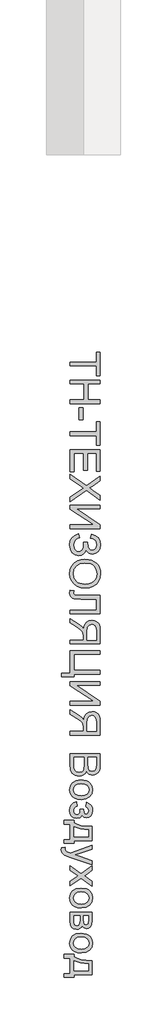
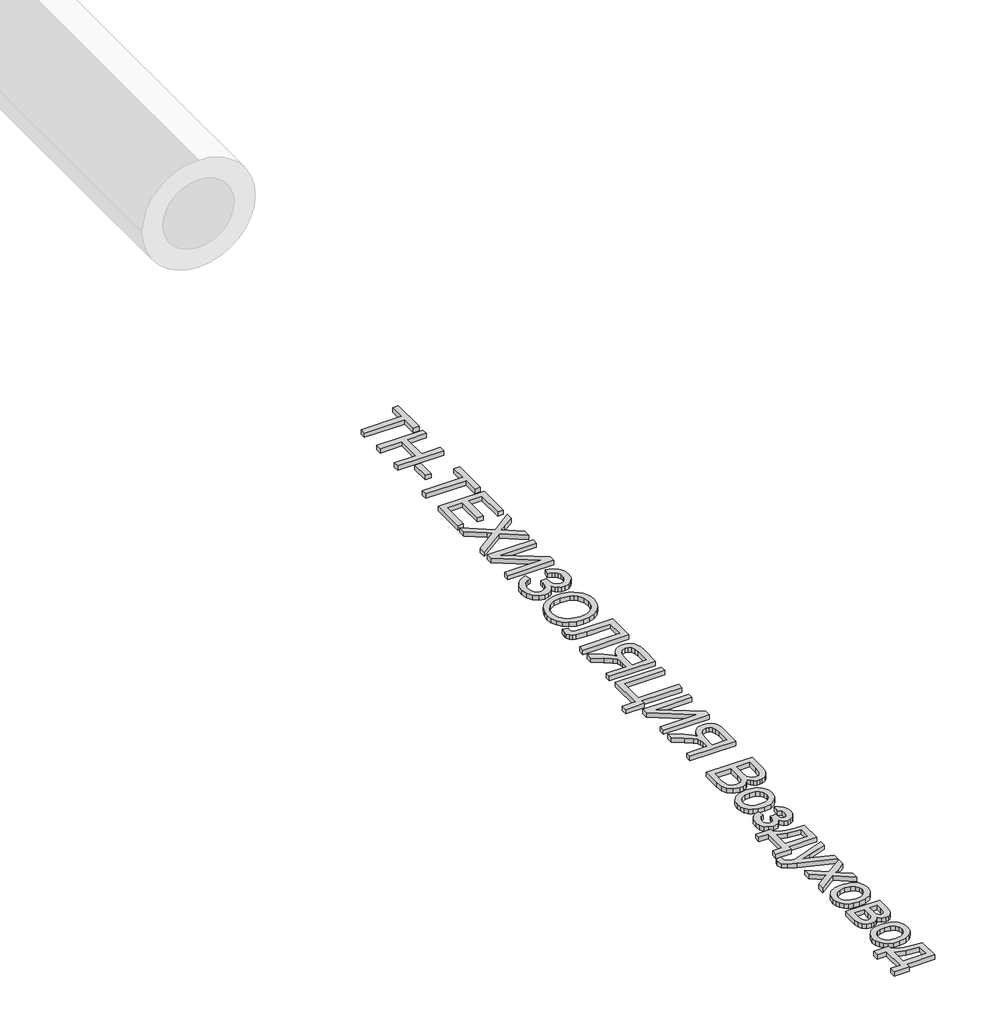
# One storey, part 2 of 2: 1 proxy.
"""IFC4 building model written with IfcOpenShell, lengths in millimetres."""

from ifc_helpers import new_model, si_unit, origin, origin_with_axes, place, context, project, spatial, polyline, outline, extrude, element, save

model = new_model("IFC4")

# Units and contexts
model_context = context("Model", 3, world=origin())
ifc_project = project(units=[si_unit("LENGTHUNIT", "METRE", prefix="MILLI")], contexts=[model_context])

# Site, building, storey
site = spatial("IfcSite", under=ifc_project)
building = spatial("IfcBuilding", under=site)
storey = spatial("IfcBuildingStorey", under=building, Elevation=0.0)

# Proxy
placement = place(None, origin())
element("IfcBuildingElementProxy", 1, Name="Generic Models", at=placement, inside=storey, context=model_context, shape_type="SweptSolid", body=[
    extrude(outline(polyline([(16619.5520286, -37659.3593778), (16791.8597209, -37659.3593778), (16791.8597209, -37594.7439932), (16816.4751055, -37594.7439932), (16816.4751055, -37748.590147), (16791.8597209, -37748.590147), (16791.8597209, -37683.9747624), (16619.5520286, -37683.9747624), (16619.5520286, -37659.3593778)])), origin_with_axes(), (0.0, 0.0, 1.0), 20.0),
    extrude(outline(polyline([(16619.5520286, -37776.2824547), (16816.4751055, -37776.2824547), (16816.4751055, -37800.8978393), (16736.4751055, -37800.8978393), (16736.4751055, -37905.5132239), (16816.4751055, -37905.5132239), (16816.4751055, -37930.1286085), (16619.5520286, -37930.1286085), (16619.5520286, -37905.5132239), (16711.8597209, -37905.5132239), (16711.8597209, -37800.8978393), (16619.5520286, -37800.8978393), (16619.5520286, -37776.2824547)])), origin_with_axes(), (0.0, 0.0, 1.0), 20.0),
    extrude(outline(polyline([(16678.0135671, -37957.8209162), (16702.6289517, -37957.8209162), (16702.6289517, -38034.7439932), (16678.0135671, -38034.7439932), (16678.0135671, -37957.8209162)])), origin_with_axes(), (0.0, 0.0, 1.0), 20.0),
    extrude(outline(polyline([(16619.5520286, -38114.7439932), (16791.8597209, -38114.7439932), (16791.8597209, -38050.1286085), (16816.4751055, -38050.1286085), (16816.4751055, -38203.9747624), (16791.8597209, -38203.9747624), (16791.8597209, -38139.3593778), (16619.5520286, -38139.3593778), (16619.5520286, -38114.7439932)])), origin_with_axes(), (0.0, 0.0, 1.0), 20.0),
    extrude(outline(polyline([(16619.5520286, -38231.6670701), (16816.4751055, -38231.6670701), (16816.4751055, -38373.2055316), (16791.8597209, -38373.2055316), (16791.8597209, -38256.2824547), (16733.3981825, -38256.2824547), (16733.3981825, -38367.0516855), (16708.7827978, -38367.0516855), (16708.7827978, -38256.2824547), (16644.1674132, -38256.2824547), (16644.1674132, -38376.2824547), (16619.5520286, -38376.2824547), (16619.5520286, -38231.6670701)])), origin_with_axes(), (0.0, 0.0, 1.0), 20.0),
    extrude(outline(polyline([(16619.5520286, -38391.6670701), (16726.8597209, -38467.5805316), (16816.4751055, -38403.9747624), (16816.4751055, -38433.4939932), (16766.0424132, -38469.3113008), (16746.3789517, -38481.3786085), (16766.3789517, -38495.5132239), (16816.4751055, -38530.9459162), (16816.4751055, -38560.8978393), (16726.5712594, -38497.2920701), (16619.5520286, -38573.2055316), (16619.5520286, -38543.6863008), (16690.8981825, -38493.1093778), (16705.7058748, -38482.5805316), (16689.4558748, -38470.9939932), (16619.5520286, -38421.6189932), (16619.5520286, -38391.6670701)])), origin_with_axes(), (0.0, 0.0, 1.0), 20.0),
    extrude(outline(polyline([(16816.4751055, -38594.7439932), (16816.4751055, -38619.3593778), (16660.5135671, -38619.3593778), (16816.4751055, -38722.4363008), (16816.4751055, -38748.590147), (16619.5520286, -38748.590147), (16619.5520286, -38723.9747624), (16775.0808748, -38723.9747624), (16619.5520286, -38621.1382239), (16619.5520286, -38594.7439932), (16816.4751055, -38594.7439932)])), origin_with_axes(), (0.0, 0.0, 1.0), 20.0),
    extrude(outline(polyline([(16674.936644, -38782.4363008), (16681.0904902, -38807.0516855), (16667.7671728, -38812.2500028), (16654.4318363, -38822.1718778), (16644.4258267, -38836.4567335), (16641.0904902, -38854.7439932), (16643.5964998, -38873.2716374), (16651.1145286, -38887.4122624), (16662.1782305, -38896.3725989), (16675.3212594, -38899.3593778), (16689.0892882, -38896.0961566), (16699.7202978, -38886.3064932), (16706.5171728, -38870.8918297), (16708.7827978, -38850.7536085), (16708.7827978, -38837.8209162), (16733.3981825, -38837.8209162), (16735.3933748, -38865.6814932), (16738.9390478, -38874.762022), (16745.5856825, -38882.7247624), (16754.3416921, -38888.277647), (16764.2154902, -38890.1286085), (16775.8080382, -38887.6646662), (16785.7779902, -38880.2728393), (16792.6469805, -38868.6742816), (16794.936644, -38853.590147), (16793.1758267, -38839.9543297), (16787.8933748, -38828.4699547), (16779.702269, -38819.6718778), (16769.2154902, -38814.0949547), (16751.8597209, -38810.1286085), (16758.0135671, -38785.5132239), (16784.936644, -38793.1604595), (16804.1674132, -38807.0156278), (16815.7058748, -38827.0787287), (16819.5520286, -38853.3497624), (16815.5556344, -38878.6923105), (16803.5664517, -38898.1814932), (16786.2287113, -38910.6033682), (16766.186644, -38914.7439932), (16753.232918, -38913.1334162), (16741.8236632, -38908.3016855), (16731.9588796, -38900.2488008), (16723.6385671, -38888.9747624), (16717.3344805, -38902.6646662), (16706.6914517, -38913.9266855), (16692.6229421, -38921.4627432), (16676.0424132, -38923.9747624), (16652.7311152, -38919.1550508), (16633.5664517, -38904.6959162), (16620.7479421, -38882.2800508), (16616.4751055, -38853.590147), (16620.1289517, -38828.6262047), (16631.0904902, -38808.4459162), (16649.3597209, -38793.0492816), (16674.936644, -38782.4363008)])), origin_with_axes(), (0.0, 0.0, 1.0), 20.0),
    extrude(outline(polyline([(16715.4174132, -38948.590147), (16738.51537, -38950.230772), (16758.9630863, -38955.152647), (16776.7605623, -38963.355772), (16791.9077978, -38974.840147), (16804.0021488, -38988.917671), (16812.6409709, -39004.9002432), (16817.8242642, -39022.7878633), (16819.5520286, -39042.5805316), (16816.3068363, -39068.4098585), (16806.5712594, -39091.5709162), (16791.030394, -39110.8016855), (16770.3693363, -39124.840147), (16745.5856825, -39133.4218778), (16717.6770286, -39136.2824547), (16689.3957786, -39133.2716374), (16664.2635671, -39124.2391855), (16643.5664517, -39109.683897), (16628.5904902, -39090.1045701), (16619.5039517, -39067.1418297), (16616.4751055, -39042.4363008), (16619.8224613, -39016.2103393), (16629.8645286, -38992.9170701), (16645.6938555, -38973.7343778), (16666.4029902, -38959.840147), (16690.2311152, -38951.402647), (16715.4174132, -38948.590147)]), holes=[polyline([(16715.1770286, -38973.2055316), (16684.3717402, -38978.1274066), (16660.8981825, -38992.8930316), (16646.0424132, -39015.0865412), (16641.0904902, -39042.2920701), (16646.0904902, -39069.8942335), (16661.0904902, -39092.1238008), (16672.139168, -39100.6739811), (16685.2852017, -39106.7812528), (16717.8693363, -39111.6670701), (16739.6602017, -39109.5757239), (16758.4943363, -39103.3016855), (16773.8969805, -39093.0072143), (16785.3933748, -39078.8545701), (16792.5508267, -39061.7812528), (16794.936644, -39042.7247624), (16790.3392882, -39016.246397), (16776.5472209, -38993.7343778), (16765.8155502, -38984.7530076), (16752.0099613, -38978.3377432), (16715.1770286, -38973.2055316)])]), origin_with_axes(), (0.0, 0.0, 1.0), 20.0),
    extrude(outline(polyline([(16816.4751055, -39185.5132239), (16816.4751055, -39305.5132239), (16619.5520286, -39305.5132239), (16619.5520286, -39280.8978393), (16791.8597209, -39280.8978393), (16791.8597209, -39210.1286085), (16691.3789517, -39210.1286085), (16646.5472209, -39207.2680316), (16633.8789517, -39202.8389451), (16624.3837594, -39195.2728393), (16618.452269, -39184.9122624), (16616.4751055, -39172.0997624), (16619.5520286, -39151.6670701), (16644.1674132, -39154.7439932), (16641.0904902, -39166.5228393), (16642.7431344, -39174.8461566), (16647.7010671, -39180.777647), (16658.7888075, -39184.3293297), (16678.8308748, -39185.5132239), (16816.4751055, -39185.5132239)])), origin_with_axes(), (0.0, 0.0, 1.0), 20.0),
    extrude(outline(polyline([(16619.5520286, -39502.4363008), (16619.5520286, -39477.8209162), (16705.7058748, -39477.8209162), (16705.7058748, -39448.1093778), (16704.8404902, -39433.8305316), (16700.1529902, -39422.1238008), (16687.3885671, -39409.1189932), (16660.3693363, -39390.6093778), (16619.5520286, -39364.9843778), (16619.5520286, -39336.3786085), (16672.9174132, -39369.215147), (16698.2539517, -39389.1670701), (16708.7827978, -39403.1574547), (16715.3092402, -39378.9086566), (16727.1001055, -39361.9314932), (16743.1818363, -39351.9254835), (16762.5808748, -39348.590147), (16778.1758267, -39350.6033682), (16792.3645286, -39356.6430316), (16803.8068363, -39366.0540893), (16811.1626055, -39378.1814932), (16815.1469805, -39394.7740412), (16816.4751055, -39417.5805316), (16816.4751055, -39502.4363008), (16619.5520286, -39502.4363008)]), holes=[polyline([(16730.3212594, -39477.8209162), (16791.8597209, -39477.8209162), (16791.8597209, -39416.5228393), (16789.7323171, -39397.0456758), (16783.3501055, -39383.6141855), (16773.6746248, -39375.8076951), (16761.6674132, -39373.2055316), (16744.9606825, -39378.6622624), (16733.8068363, -39394.6238008), (16730.3212594, -39422.7247624), (16730.3212594, -39477.8209162)])]), origin_with_axes(), (0.0, 0.0, 1.0), 20.0),
    extrude(outline(polyline([(16816.4751055, -39545.5132239), (16816.4751055, -39570.1286085), (16644.1674132, -39570.1286085), (16644.1674132, -39674.7439932), (16816.4751055, -39674.7439932), (16816.4751055, -39699.3593778), (16644.1674132, -39699.3593778), (16644.1674132, -39717.8209162), (16564.1674132, -39717.8209162), (16564.1674132, -39693.2055316), (16619.5520286, -39693.2055316), (16619.5520286, -39545.5132239), (16816.4751055, -39545.5132239)])), origin_with_axes(), (0.0, 0.0, 1.0), 20.0),
    extrude(outline(polyline([(16816.4751055, -39748.590147), (16816.4751055, -39773.2055316), (16660.5135671, -39773.2055316), (16816.4751055, -39876.2824547), (16816.4751055, -39902.4363008), (16619.5520286, -39902.4363008), (16619.5520286, -39877.8209162), (16775.0808748, -39877.8209162), (16619.5520286, -39774.9843778), (16619.5520286, -39748.590147), (16816.4751055, -39748.590147)])), origin_with_axes(), (0.0, 0.0, 1.0), 20.0),
    extrude(outline(polyline([(16619.5520286, -40099.3593778), (16619.5520286, -40074.7439932), (16705.7058748, -40074.7439932), (16705.7058748, -40045.0324547), (16704.8404902, -40030.7536085), (16700.1529902, -40019.0468778), (16687.3885671, -40006.0420701), (16660.3693363, -39987.5324547), (16619.5520286, -39961.9074547), (16619.5520286, -39933.3016855), (16672.9174132, -39966.1382239), (16698.2539517, -39986.090147), (16708.7827978, -40000.0805316), (16715.3092402, -39975.8317335), (16727.1001055, -39958.8545701), (16743.1818363, -39948.8485605), (16762.5808748, -39945.5132239), (16778.1758267, -39947.5264451), (16792.3645286, -39953.5661085), (16803.8068363, -39962.9771662), (16811.1626055, -39975.1045701), (16815.1469805, -39991.6971182), (16816.4751055, -40014.5036085), (16816.4751055, -40099.3593778), (16619.5520286, -40099.3593778)]), holes=[polyline([(16730.3212594, -40074.7439932), (16791.8597209, -40074.7439932), (16791.8597209, -40013.4459162), (16789.7323171, -39993.9687528), (16783.3501055, -39980.5372624), (16773.6746248, -39972.730772), (16761.6674132, -39970.1286085), (16744.9606825, -39975.5853393), (16733.8068363, -39991.5468778), (16730.3212594, -40019.6478393), (16730.3212594, -40074.7439932)])]), origin_with_axes(), (0.0, 0.0, 1.0), 20.0),
    extrude(outline(polyline([(16619.5520286, -40219.3593778), (16816.4751055, -40219.3593778), (16816.4751055, -40294.5036085), (16815.0267882, -40315.1706758), (16810.6818363, -40331.3064932), (16803.3320767, -40343.6742816), (16792.8693363, -40353.0372624), (16780.561644, -40358.9326951), (16767.6770286, -40360.8978393), (16755.8200575, -40359.2451951), (16744.6722209, -40354.2872624), (16734.9186152, -40345.9879835), (16727.2443363, -40334.3113008), (16719.9606825, -40348.2596182), (16708.8789517, -40358.5661085), (16694.7323171, -40364.9302912), (16678.2539517, -40367.0516855), (16651.7876055, -40361.2584162), (16632.9414517, -40346.9074547), (16622.9414517, -40325.4891855), (16619.5520286, -40293.9266855), (16619.5520286, -40219.3593778)]), holes=[polyline([(16736.4751055, -40243.9747624), (16736.4751055, -40288.9266855), (16738.5904902, -40315.1766855), (16747.7010671, -40330.9699547), (16763.7347209, -40336.2824547), (16779.7924132, -40331.3305316), (16789.2876055, -40317.1478393), (16791.8597209, -40285.5132239), (16791.8597209, -40243.9747624), (16736.4751055, -40243.9747624)]), polyline([(16644.1674132, -40243.9747624), (16644.1674132, -40294.4555316), (16645.1289517, -40312.7247624), (16650.4895286, -40328.1814932), (16661.4270286, -40338.4218778), (16678.0135671, -40342.4363008), (16697.1481825, -40337.7247624), (16704.0652498, -40331.5528874), (16708.5664517, -40322.4603393), (16711.8597209, -40292.0516855), (16711.8597209, -40243.9747624), (16644.1674132, -40243.9747624)])]), origin_with_axes(), (0.0, 0.0, 1.0), 20.0),
    extrude(outline(polyline([(16691.8597209, -40391.6670701), (16726.7275094, -40396.9915893), (16740.2761873, -40403.6472383), (16751.2347209, -40412.965147), (16763.2419325, -40432.7007239), (16767.2443363, -40456.3305316), (16762.3705382, -40482.1899066), (16747.749144, -40502.8449547), (16724.5339998, -40516.3846182), (16693.8789517, -40520.8978393), (16669.0111632, -40518.902647), (16650.0808748, -40512.9170701), (16635.9041921, -40503.1153874), (16625.2972209, -40489.6718778), (16618.6806344, -40473.7043297), (16616.4751055, -40456.3305316), (16621.3308748, -40430.1586566), (16635.8981825, -40409.527647), (16659.6001055, -40396.1322143), (16691.8597209, -40391.6670701)]), holes=[polyline([(16691.9077978, -40416.2824547), (16669.6301536, -40419.1310124), (16653.7587594, -40427.6766855), (16644.2575575, -40440.5372624), (16641.0904902, -40456.3305316), (16644.2755863, -40472.0516855), (16653.8308748, -40484.8882239), (16669.9126055, -40493.433897), (16692.6770286, -40496.2824547), (16714.3056344, -40493.4158682), (16729.9606825, -40484.8161085), (16739.4618844, -40471.9615412), (16742.6289517, -40456.3305316), (16739.4739036, -40440.5372624), (16730.0087594, -40427.6766855), (16714.1734228, -40419.1310124), (16691.9077978, -40416.2824547)])]), origin_with_axes(), (0.0, 0.0, 1.0), 20.0),
    extrude(outline(polyline([(16684.1674132, -40582.4363008), (16708.7827978, -40582.4363008), (16709.7443363, -40601.8593778), (16714.8645286, -40611.6670701), (16725.561644, -40616.2824547), (16732.5628459, -40614.7379835), (16737.9895286, -40610.1045701), (16742.6289517, -40594.1670701), (16738.0135671, -40577.7007239), (16724.1674132, -40567.0516855), (16727.2443363, -40539.3593778), (16744.7443363, -40546.7031278), (16757.2443363, -40557.8689932), (16764.7443363, -40572.8569739), (16767.2443363, -40591.6670701), (16764.1974613, -40612.2439932), (16755.0568363, -40627.8209162), (16741.6854421, -40637.6286085), (16725.9462594, -40640.8978393), (16710.6577978, -40636.246397), (16698.8308748, -40622.2920701), (16683.4943363, -40638.5661085), (16661.4270286, -40643.9747624), (16643.3080382, -40640.543272), (16628.9510671, -40630.2488008), (16619.5940959, -40613.7884643), (16616.4751055, -40591.8593778), (16619.3597209, -40570.4110605), (16628.0135671, -40553.9988008), (16642.436644, -40542.6225989), (16662.6289517, -40536.2824547), (16665.7058748, -40563.9747624), (16655.2972209, -40568.121397), (16647.5327978, -40575.0805316), (16642.7010671, -40584.0468778), (16641.0904902, -40594.215147), (16642.6349613, -40604.1189932), (16647.2683748, -40612.1959162), (16654.3056344, -40617.5685124), (16663.061644, -40619.3593778), (16675.9943363, -40614.9122624), (16682.9174132, -40605.4411085), (16684.311644, -40587.2439932), (16684.1674132, -40582.4363008)])), origin_with_axes(), (0.0, 0.0, 1.0), 20.0),
    extrude(outline(polyline([(16764.1674132, -40696.2824547), (16764.1674132, -40788.590147), (16644.1674132, -40788.590147), (16644.1674132, -40807.0516855), (16579.5520286, -40807.0516855), (16579.5520286, -40782.4363008), (16619.5520286, -40782.4363008), (16619.5520286, -40680.8978393), (16579.5520286, -40680.8978393), (16579.5520286, -40656.2824547), (16644.1674132, -40656.2824547), (16644.1674132, -40671.6670701), (16664.3777498, -40682.8509643), (16691.1145286, -40690.6814932), (16724.3777498, -40695.1586566), (16764.1674132, -40696.2824547)]), holes=[polyline([(16739.5520286, -40717.8209162), (16683.4702978, -40712.0516855), (16644.1674132, -40699.3593778), (16644.1674132, -40763.9747624), (16739.5520286, -40763.9747624), (16739.5520286, -40717.8209162)])]), origin_with_axes(), (0.0, 0.0, 1.0), 20.0),
    extrude(outline(polyline([(16564.1674132, -40834.7439932), (16587.8693363, -40831.6670701), (16585.7058748, -40844.1670701), (16588.4222209, -40855.8497624), (16595.9943363, -40863.0132239), (16614.1193363, -40869.7439932), (16620.0808748, -40871.6670701), (16764.1674132, -40819.3593778), (16764.1674132, -40845.3209162), (16683.8789517, -40873.0613008), (16651.7635671, -40882.7247624), (16680.1289517, -40892.3882239), (16764.1674132, -40920.8978393), (16764.1674132, -40946.6670701), (16616.0904902, -40896.3305316), (16583.9751055, -40883.2536085), (16566.6193363, -40868.9747624), (16561.0904902, -40849.7920701), (16564.1674132, -40834.7439932)])), origin_with_axes(), (0.0, 0.0, 1.0), 20.0),
    extrude(outline(polyline([(16619.5520286, -40951.6670701), (16692.2443363, -41004.2632239), (16764.1674132, -40954.7439932), (16764.1674132, -40984.3593778), (16729.5520286, -41008.2536085), (16713.2058748, -41019.4074547), (16726.5712594, -41029.0709162), (16764.1674132, -41056.2824547), (16764.1674132, -41085.8978393), (16692.2443363, -41033.8786085), (16619.5520286, -41083.9747624), (16619.5520286, -41054.3593778), (16663.2539517, -41024.215147), (16671.2347209, -41018.6863008), (16619.5520286, -40981.2824547), (16619.5520286, -40951.6670701)])), origin_with_axes(), (0.0, 0.0, 1.0), 20.0),
    extrude(outline(polyline([(16691.8597209, -41099.3593778), (16726.7275094, -41104.683897), (16740.2761873, -41111.339546), (16751.2347209, -41120.6574547), (16763.2419325, -41140.3930316), (16767.2443363, -41164.0228393), (16762.3705382, -41189.8822143), (16747.749144, -41210.5372624), (16724.5339998, -41224.0769258), (16693.8789517, -41228.590147), (16669.0111632, -41226.5949547), (16650.0808748, -41220.6093778), (16635.9041921, -41210.8076951), (16625.2972209, -41197.3641855), (16618.6806344, -41181.3966374), (16616.4751055, -41164.0228393), (16621.3308748, -41137.8509643), (16635.8981825, -41117.2199547), (16659.6001055, -41103.824522), (16691.8597209, -41099.3593778)]), holes=[polyline([(16691.9077978, -41123.9747624), (16669.6301536, -41126.8233201), (16653.7587594, -41135.3689932), (16644.2575575, -41148.2295701), (16641.0904902, -41164.0228393), (16644.2755863, -41179.7439932), (16653.8308748, -41192.5805316), (16669.9126055, -41201.1262047), (16692.6770286, -41203.9747624), (16714.3056344, -41201.1081758), (16729.9606825, -41192.5084162), (16739.4618844, -41179.6538489), (16742.6289517, -41164.0228393), (16739.4739036, -41148.2295701), (16730.0087594, -41135.3689932), (16714.1734228, -41126.8233201), (16691.9077978, -41123.9747624)])]), origin_with_axes(), (0.0, 0.0, 1.0), 20.0),
    extrude(outline(polyline([(16764.1674132, -41256.2824547), (16764.1674132, -41310.5132239), (16760.874144, -41340.2488008), (16748.8068363, -41356.9795701), (16739.1614036, -41362.2259643), (16727.7731825, -41363.9747624), (16710.6818363, -41359.7439932), (16698.4943363, -41347.0036085), (16693.3801536, -41356.1141855), (16685.1529902, -41363.5420701), (16674.4618844, -41368.4819739), (16661.9558748, -41370.1286085), (16643.1938555, -41365.9579355), (16629.9847209, -41356.0420701), (16622.1602017, -41340.3449547), (16619.5520286, -41318.8305316), (16619.5520286, -41256.2824547), (16764.1674132, -41256.2824547)]), holes=[polyline([(16708.7827978, -41280.8978393), (16708.7827978, -41305.2247624), (16710.0327978, -41325.2968778), (16715.0327978, -41335.0564932), (16724.0712594, -41339.3593778), (16731.4150094, -41337.4723585), (16736.1385671, -41331.8113008), (16739.5520286, -41305.9939932), (16739.5520286, -41280.8978393), (16708.7827978, -41280.8978393)]), polyline([(16644.1674132, -41280.8978393), (16644.1674132, -41311.090147), (16645.2791921, -41327.5444739), (16648.6145286, -41337.8689932), (16654.6782305, -41343.4098585), (16663.9751055, -41345.5132239), (16675.8260671, -41341.3064932), (16682.7251055, -41330.3449547), (16684.1674132, -41308.6863008), (16684.1674132, -41280.8978393), (16644.1674132, -41280.8978393)])]), origin_with_axes(), (0.0, 0.0, 1.0), 20.0),
    extrude(outline(polyline([(16691.8597209, -41394.7439932), (16726.7275094, -41400.0685124), (16740.2761873, -41406.7241614), (16751.2347209, -41416.0420701), (16763.2419325, -41435.777647), (16767.2443363, -41459.4074547), (16762.3705382, -41485.2668297), (16747.749144, -41505.9218778), (16724.5339998, -41519.4615412), (16693.8789517, -41523.9747624), (16669.0111632, -41521.9795701), (16650.0808748, -41515.9939932), (16635.9041921, -41506.1923105), (16625.2972209, -41492.7488008), (16618.6806344, -41476.7812528), (16616.4751055, -41459.4074547), (16621.3308748, -41433.2355797), (16635.8981825, -41412.6045701), (16659.6001055, -41399.2091374), (16691.8597209, -41394.7439932)]), holes=[polyline([(16691.9077978, -41419.3593778), (16669.6301536, -41422.2079355), (16653.7587594, -41430.7536085), (16644.2575575, -41443.6141855), (16641.0904902, -41459.4074547), (16644.2755863, -41475.1286085), (16653.8308748, -41487.965147), (16669.9126055, -41496.5108201), (16692.6770286, -41499.3593778), (16714.3056344, -41496.4927912), (16729.9606825, -41487.8930316), (16739.4618844, -41475.0384643), (16742.6289517, -41459.4074547), (16739.4739036, -41443.6141855), (16730.0087594, -41430.7536085), (16714.1734228, -41422.2079355), (16691.9077978, -41419.3593778)])]), origin_with_axes(), (0.0, 0.0, 1.0), 20.0),
    extrude(outline(polyline([(16764.1674132, -41573.2055316), (16764.1674132, -41665.5132239), (16644.1674132, -41665.5132239), (16644.1674132, -41683.9747624), (16579.5520286, -41683.9747624), (16579.5520286, -41659.3593778), (16619.5520286, -41659.3593778), (16619.5520286, -41557.8209162), (16579.5520286, -41557.8209162), (16579.5520286, -41533.2055316), (16644.1674132, -41533.2055316), (16644.1674132, -41548.590147), (16664.3777498, -41559.7740412), (16691.1145286, -41567.6045701), (16724.3777498, -41572.0817335), (16764.1674132, -41573.2055316)]), holes=[polyline([(16739.5520286, -41594.7439932), (16683.4702978, -41588.9747624), (16644.1674132, -41576.2824547), (16644.1674132, -41640.8978393), (16739.5520286, -41640.8978393), (16739.5520286, -41594.7439932)])]), origin_with_axes(), (0.0, 0.0, 1.0), 20.0),
])

save(model, "model.ifc")
